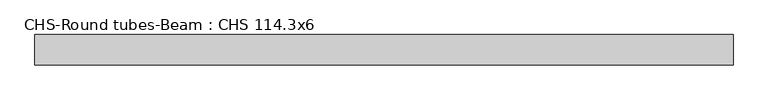
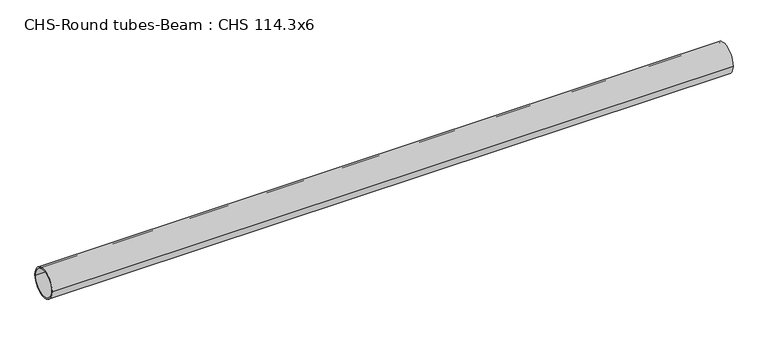
"""IFC4 building model written with IfcOpenShell, lengths in millimetres: beam geometry, CHS-Round tubes-Beam : CHS 114.3x6."""

from ifc_helpers import new_model, si_unit, point, frame, origin, origin_2d, place, context, project, spatial, circle_curve, trimmed, segment, composite_curve, outline, extrude, source, transform, mapped, element, save


def chs_round_tubes_beam_chs_114_3x6_af4fc4e0(model_context):
    return source(origin(), model_context, "Body", "SweptSolid", [
        extrude(outline(composite_curve([segment(trimmed(circle_curve(origin_2d(), 57.15), [point((57.15, 0.0))], [point((-57.15, 0.0))], False, "CARTESIAN"), True, "CONTINUOUS"), segment(trimmed(circle_curve(origin_2d(), 57.15), [point((-57.15, 0.0))], [point((57.15, 0.0))], False, "CARTESIAN"), True, "CONTINUOUS")], self_intersect=False), holes=[composite_curve([segment(trimmed(circle_curve(origin_2d(), 51.15), [point((51.15, 0.0))], [point((-51.15, 0.0))], True, "CARTESIAN"), True, "CONTINUOUS"), segment(trimmed(circle_curve(origin_2d(), 51.15), [point((-51.15, 0.0))], [point((51.15, 0.0))], True, "CARTESIAN"), True, "CONTINUOUS")], self_intersect=False)]), frame((-1291.685761, 0.0, 0.0), z_axis=(1.0, 0.0, 0.0), x_axis=(0.0, 1.0, 0.0)), (0.0, 0.0, 1.0), 2618.9296221),
    ])


if __name__ == "__main__":
    model = new_model("IFC4")
    model_context = context("Model", 3, world=origin())
    ifc_project = project(units=[si_unit("LENGTHUNIT", "METRE", prefix="MILLI")], contexts=[model_context])
    site = spatial("IfcSite", under=ifc_project)
    building = spatial("IfcBuilding", under=site)
    placement = place(None, origin())
    chs_round_tubes_beam_chs_114_3x6_shape = chs_round_tubes_beam_chs_114_3x6_af4fc4e0(model_context)
    element("IfcBeam", 1, ObjectType="CHS-Round tubes-Beam : CHS 114.3x6", at=placement, inside=building, context=model_context, shape_type="MappedRepresentation", body=[
        mapped(chs_round_tubes_beam_chs_114_3x6_shape, transform((0.0, 0.0, 0.0), x_axis=(1.0, 0.0, 0.0), y_axis=(0.0, 1.0, 0.0), z_axis=(0.0, 0.0, 1.0))),
    ])
    save(model, "model.ifc")
